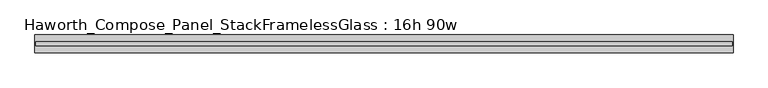
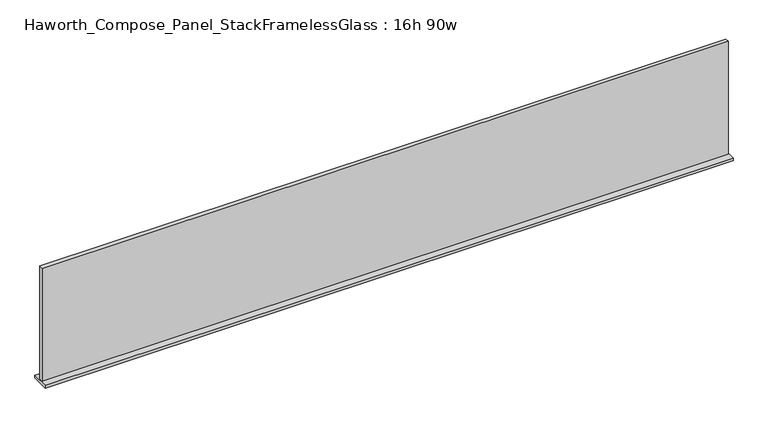
"""IFC4 building model written with IfcOpenShell, lengths in millimetres: furniture geometry, Haworth_Compose_Panel_StackFramelessGlass : 16h 90w."""

from ifc_helpers import new_model, si_unit, frame, origin, place, context, project, spatial, polyline, outline, extrude, source, transform, mapped, element, save


def haworth_compose_panel_stackframelessglass_16h_90w_a822c772(model_context):
    return source(origin(), model_context, "Body", "SweptSolid", [
        extrude(outline(polyline([(1142.2652902, -27.3093594), (-1137.3847098, -27.3093594), (-1137.3847098, -14.6093594), (1142.2652902, -14.6093594), (1142.2652902, -27.3093594)])), frame((0.0, 0.0, 1279.525), z_axis=(0.0, 0.0, 1.0), x_axis=(1.0, 0.0, 0.0)), (0.0, 0.0, 1.0), 396.875),
        extrude(outline(polyline([(-1140.5597098, -50.3281094), (-1140.5597098, 8.4093906), (1145.4402902, 8.4093906), (1145.4402902, -50.3281094), (-1140.5597098, -50.3281094)])), frame((0.0, 0.0, 1270.0), z_axis=(0.0, 0.0, 1.0), x_axis=(1.0, 0.0, 0.0)), (0.0, 0.0, 1.0), 9.525),
    ])


if __name__ == "__main__":
    model = new_model("IFC4")
    model_context = context("Model", 3, world=origin())
    ifc_project = project(units=[si_unit("LENGTHUNIT", "METRE", prefix="MILLI")], contexts=[model_context])
    site = spatial("IfcSite", under=ifc_project)
    building = spatial("IfcBuilding", under=site)
    placement = place(None, origin())
    haworth_compose_panel_stackframelessglass_16h_90w_shape = haworth_compose_panel_stackframelessglass_16h_90w_a822c772(model_context)
    element("IfcFurniture", 1, ObjectType="Haworth_Compose_Panel_StackFramelessGlass : 16h 90w", at=placement, inside=building, context=model_context, shape_type="MappedRepresentation", body=[
        mapped(haworth_compose_panel_stackframelessglass_16h_90w_shape, transform((0.0, 0.0, 0.0), x_axis=(1.0, 0.0, 0.0), y_axis=(0.0, 1.0, 0.0), z_axis=(0.0, 0.0, 1.0))),
    ])
    save(model, "model.ifc")
